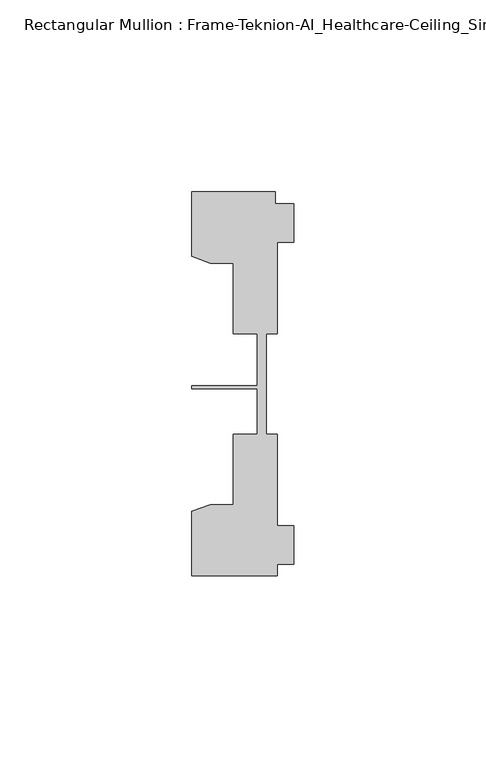
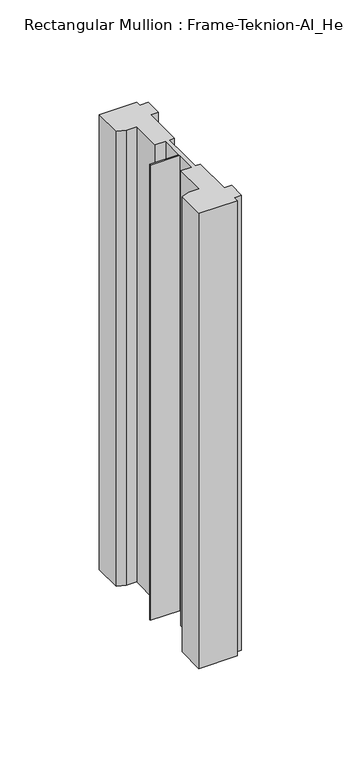
"""IFC4 building model written with IfcOpenShell, lengths in millimetres: member geometry, Rectangular Mullion : Frame-Teknion-AI_Healthcare-Ceiling_Single_Channel."""

from ifc_helpers import new_model, si_unit, frame, origin, place, context, project, spatial, polyline, outline, extrude, source, transform, mapped, element, save


def rectangular_mullion_frame_teknion_ai_healthcare_ceiling_4590332e(model_context):
    return source(origin(), model_context, "Body", "SweptSolid", [
        extrude(outline(polyline([(-26.4921999, 34.0201677), (-26.4921999, 50.8315128), (-4.7752002, 50.8315128), (-4.7752002, 47.782071), (0.0, 47.782071), (0.0, 37.7820716), (-4.2672007, 37.7820716), (-4.2672007, 13.9110722), (-7.1647766, 13.9110722), (-7.1647766, 0.0814804), (-7.1647766, -12.2509301), (-4.2672007, -12.2509301), (-4.2672007, -36.1219249), (0.0, -36.1219249), (0.0, -46.1219322), (-4.2672007, -46.1219322), (-4.2672007, -49.1699293), (-26.4921999, -49.1699293), (-26.4921999, -32.3600207), (-21.6625199, -30.6279561), (-15.6737764, -30.6279561), (-15.6737764, -12.2509301), (-9.4507761, -12.2509301), (-9.4507761, -0.4036528), (-26.4921999, -0.4036528), (-26.4921999, 0.4036528), (-9.4507761, 0.4036528), (-9.4507761, 13.9110722), (-15.6737764, 13.9110722), (-15.6737764, 32.2880982), (-21.6625199, 32.2880982), (-26.4921999, 34.0201677)])), frame((0.0, 0.0, -279.4), z_axis=(0.0, 0.0, 1.0), x_axis=(1.0, 0.0, 0.0)), (0.0, 0.0, 1.0), 279.4),
    ])


if __name__ == "__main__":
    model = new_model("IFC4")
    model_context = context("Model", 3, world=origin())
    ifc_project = project(units=[si_unit("LENGTHUNIT", "METRE", prefix="MILLI")], contexts=[model_context])
    site = spatial("IfcSite", under=ifc_project)
    building = spatial("IfcBuilding", under=site)
    placement = place(None, origin())
    rectangular_mullion_frame_teknion_ai_healthcare_ceiling_shape = rectangular_mullion_frame_teknion_ai_healthcare_ceiling_4590332e(model_context)
    element("IfcMember", 1, ObjectType="Rectangular Mullion : Frame-Teknion-AI_Healthcare-Ceiling_Single_Channel", at=placement, inside=building, context=model_context, shape_type="MappedRepresentation", body=[
        mapped(rectangular_mullion_frame_teknion_ai_healthcare_ceiling_shape, transform((0.0, 0.0, 0.0), x_axis=(1.0, 0.0, 0.0), y_axis=(0.0, 1.0, 0.0), z_axis=(0.0, 0.0, 1.0))),
    ])
    save(model, "model.ifc")
